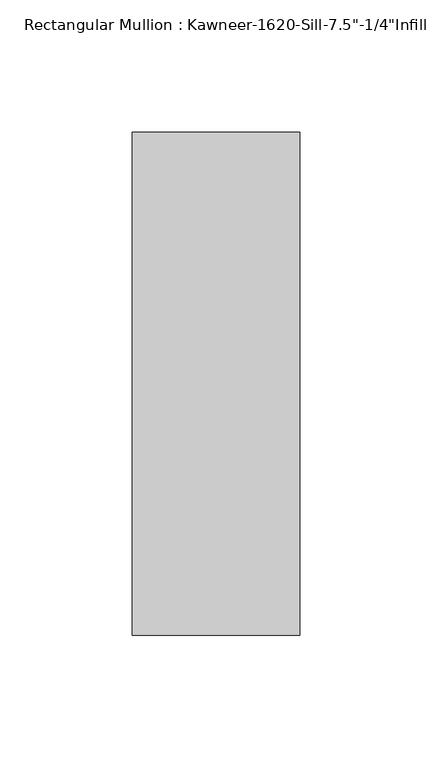
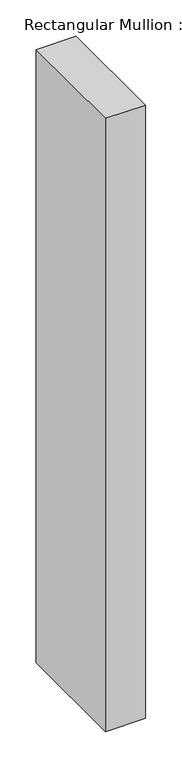
"""IFC4 building model written with IfcOpenShell, lengths in millimetres: member geometry."""

import ifcopenshell
import ifcopenshell.guid

model = None  # the IFC model being written
_history = None  # IfcOwnerHistory: only IFC2X3 demands one
_inside = {}  # id of a spatial element -> (the spatial element, [elements in it])
_under = {}  # id of a project, library or spatial element -> (it, [spatial elements below it])
_declared = {}  # id of a project -> (the project, [libraries it declares])
_typed = {}  # id of a type object -> (the type object, [elements of that type])
_made_of = {}  # id of a material, layer set ... -> (it, [elements and type objects made of it])


def new_model(schema):
    """Start an empty IFC model of exactly this schema.

    Asked for "IFC4X3", IfcOpenShell would pick the latest addendum, in which some entities
    have other attributes; the version numbers below select the first issue.
    IFC2X3 requires an IfcOwnerHistory on every rooted entity: one is made here for all.
    """
    global model, _history
    if schema == "IFC4X3":
        model = ifcopenshell.file(schema_version=(4, 3, 0, 0))
    else:
        model = ifcopenshell.file(schema=schema)
    _inside.clear()
    _under.clear()
    _declared.clear()
    _typed.clear()
    _made_of.clear()
    _history = None
    if model.schema == "IFC2X3":
        org = make("IfcOrganization", Name="unknown")
        user = make(
            "IfcPersonAndOrganization",
            ThePerson=make("IfcPerson", FamilyName="unknown"),
            TheOrganization=org,
        )
        app = make(
            "IfcApplication",
            ApplicationDeveloper=org,
            Version="unknown",
            ApplicationFullName="unknown",
            ApplicationIdentifier="unknown",
        )
        _history = make(
            "IfcOwnerHistory",
            OwningUser=user,
            OwningApplication=app,
            ChangeAction="ADDED",
            CreationDate=0,
        )
    return model


def make(cls, **values):
    """One entity of the class cls with the attributes given. An attribute that is None is left unset."""
    return model.create_entity(
        cls, **{name: value for name, value in values.items() if value is not None}
    )


def rooted(cls, **values):
    """An entity with a GlobalId (a new one), such as an element, a storey or a relation."""
    return make(cls, GlobalId=ifcopenshell.guid.new(), OwnerHistory=_history, **values)


def si_unit(unit_type, name, prefix=None):
    """IfcSIUnit, for example si_unit("LENGTHUNIT", "METRE", prefix="MILLI")."""
    return make("IfcSIUnit", UnitType=unit_type, Prefix=prefix, Name=name)


def assignment(units):
    """IfcUnitAssignment: the units of a project."""
    return None if units is None else make("IfcUnitAssignment", Units=units)


def point(xyz):
    """IfcCartesianPoint."""
    return None if xyz is None else make("IfcCartesianPoint", Coordinates=xyz)


def direction(xyz):
    """IfcDirection."""
    return None if xyz is None else make("IfcDirection", DirectionRatios=xyz)


def frame(location, z_axis=None, x_axis=None):
    """IfcAxis2Placement3D, a coordinate frame: its origin and axes. An axis left out is left unset."""
    return make(
        "IfcAxis2Placement3D",
        Location=point(location),
        Axis=direction(z_axis),
        RefDirection=direction(x_axis),
    )


def origin():
    """The frame at (0, 0, 0) with its axes left unset."""
    return frame((0.0, 0.0, 0.0))


def place(relative_to, where):
    """IfcLocalPlacement: puts the frame where relative to a parent placement (None: the world)."""
    return make(
        "IfcLocalPlacement", PlacementRelTo=relative_to, RelativePlacement=where
    )


def context(
    kind, dimensions, precision=None, world=None, true_north=None, identifier=None
):
    """IfcGeometricRepresentationContext, for example the 3D "Model" context."""
    return make(
        "IfcGeometricRepresentationContext",
        ContextIdentifier=identifier,
        ContextType=kind,
        CoordinateSpaceDimension=dimensions,
        Precision=precision,
        WorldCoordinateSystem=world,
        TrueNorth=true_north,
    )


def project(units=None, contexts=None):
    """IfcProject with its units and contexts."""
    return rooted(
        "IfcProject",
        Name="project",
        RepresentationContexts=contexts,
        UnitsInContext=assignment(units),
    )


def spatial(cls, under=None, at=None, **own):
    """A site, building, storey or space (cls), placed at a placement, below another one or the project."""
    s = rooted(cls, ObjectPlacement=at, **own)
    if under is not None:
        _under.setdefault(under.id(), (under, []))[1].append(s)
    return s


def polyline(points):
    """IfcPolyline through the points."""
    return make("IfcPolyline", Points=[point(p) for p in points])


def outline(outer, holes=None, kind="AREA"):
    """IfcArbitraryClosedProfileDef: a profile drawn as a closed curve; with holes, ...WithVoids."""
    if holes is None:
        return make("IfcArbitraryClosedProfileDef", ProfileType=kind, OuterCurve=outer)
    return make(
        "IfcArbitraryProfileDefWithVoids",
        ProfileType=kind,
        OuterCurve=outer,
        InnerCurves=holes,
    )


def extrude(swept, where, along, depth):
    """IfcExtrudedAreaSolid: the profile swept, set in the frame where, extruded along a direction by depth."""
    return make(
        "IfcExtrudedAreaSolid",
        SweptArea=swept,
        Position=where,
        ExtrudedDirection=direction(along),
        Depth=depth,
    )


def shape(context_of_items, identifier, shape_type, items):
    """IfcShapeRepresentation: the items that make up one representation, for example the "Body"."""
    return make(
        "IfcShapeRepresentation",
        ContextOfItems=context_of_items,
        RepresentationIdentifier=identifier,
        RepresentationType=shape_type,
        Items=items,
    )


def source(mapping_origin, context_of_items, identifier, shape_type, items):
    """IfcRepresentationMap: a shape defined once, which mapped items show again and again."""
    return make(
        "IfcRepresentationMap",
        MappingOrigin=mapping_origin,
        MappedRepresentation=shape(context_of_items, identifier, shape_type, items),
    )


def transform(
    local_origin,
    x_axis=None,
    y_axis=None,
    z_axis=None,
    scale=None,
    scale2=None,
    scale3=None,
    uniform=True,
):
    """IfcCartesianTransformationOperator3D, or its non-uniform kind. x_axis, y_axis, z_axis: its Axis1, 2, 3."""
    if uniform:
        return make(
            "IfcCartesianTransformationOperator3D",
            Axis1=direction(x_axis),
            Axis2=direction(y_axis),
            LocalOrigin=point(local_origin),
            Scale=scale,
            Axis3=direction(z_axis),
        )
    return make(
        "IfcCartesianTransformationOperator3DnonUniform",
        Axis1=direction(x_axis),
        Axis2=direction(y_axis),
        LocalOrigin=point(local_origin),
        Scale=scale,
        Axis3=direction(z_axis),
        Scale2=scale2,
        Scale3=scale3,
    )


def mapped(mapping_source, mapping_target):
    """IfcMappedItem: shows the shape of a source again, moved by a transform."""
    return make(
        "IfcMappedItem", MappingSource=mapping_source, MappingTarget=mapping_target
    )


def made_of(thing, what):
    """Note that an element or type object is made of a material, layer set ...; save() writes the relation."""
    if what is not None:
        _made_of.setdefault(what.id(), (what, []))[1].append(thing)
    return thing


def element(
    cls,
    number,
    at=None,
    inside=None,
    cuts=None,
    type_object=None,
    material=None,
    context=None,
    identifier="Body",
    shape_type=None,
    held_by="IfcProductDefinitionShape",
    body=None,
    shapes=None,
    **own,
):
    """One element of the class cls, such as IfcWall. Its Tag is "e" and its number.

    at: its placement. inside: the storey or other place that contains it. cuts: it is an
    opening in that element (IfcRelVoidsElement). A single representation is given by context,
    identifier, shape_type and body (its items); several are given by shapes. held_by: the class
    of the entity that holds the representations. save() writes the other relations.
    """
    e = rooted(cls, Tag="e%d" % number, ObjectPlacement=at, **own)
    if body is not None:
        shapes = [shape(context, identifier, shape_type, body)]
    if shapes is not None:
        e.Representation = make(held_by, Representations=shapes)
    if inside is not None:
        _inside.setdefault(inside.id(), (inside, []))[1].append(e)
    if cuts is not None:
        rooted(
            "IfcRelVoidsElement", RelatingBuildingElement=cuts, RelatedOpeningElement=e
        )
    if type_object is not None:
        _typed.setdefault(type_object.id(), (type_object, []))[1].append(e)
    return made_of(e, material)


def aggregate(whole, parts):
    """IfcRelAggregates: a whole, such as a stair, and the parts it consists of."""
    return rooted("IfcRelAggregates", RelatingObject=whole, RelatedObjects=parts)


def save(model, path):
    """Write the relations noted so far, then the file.

    IfcRelAggregates (storeys below a building ...), IfcRelContainedInSpatialStructure (elements
    in a storey), IfcRelDefinesByType, IfcRelAssociatesMaterial and IfcRelDeclares: one each for
    every whole, place, type object, material and project.
    """
    for whole, parts in _under.values():
        aggregate(whole, parts)
    for where, things in _inside.values():
        rooted(
            "IfcRelContainedInSpatialStructure",
            RelatedElements=things,
            RelatingStructure=where,
        )
    for kind, things in _typed.values():
        rooted("IfcRelDefinesByType", RelatedObjects=things, RelatingType=kind)
    for what, things in _made_of.values():
        rooted("IfcRelAssociatesMaterial", RelatedObjects=things, RelatingMaterial=what)
    for by, libraries in _declared.values():
        rooted("IfcRelDeclares", RelatingContext=by, RelatedDefinitions=libraries)
    model.write(path)


def member_78b1cd48(model_context):
    return source(origin(), model_context, "Body", "SweptSolid", [
        extrude(outline(polyline([(-63.5, 28.575), (0.0, 28.575), (0.0, -161.925), (-63.5, -161.925), (-63.5, 28.575)])), frame((0.0, 0.0, -1028.7), z_axis=(0.0, 0.0, 1.0), x_axis=(1.0, 0.0, 0.0)), (0.0, 0.0, 1.0), 1028.7),
    ])


if __name__ == "__main__":
    model = new_model("IFC4")
    model_context = context("Model", 3, world=origin())
    ifc_project = project(units=[si_unit("LENGTHUNIT", "METRE", prefix="MILLI")], contexts=[model_context])
    site = spatial("IfcSite", under=ifc_project)
    building = spatial("IfcBuilding", under=site)
    placement = place(None, origin())
    member_shape = member_78b1cd48(model_context)
    element("IfcMember", 1, ObjectType="Rectangular Mullion : Kawneer-1620-Sill-7.5\"-1/4\"Infill", at=placement, inside=building, context=model_context, shape_type="MappedRepresentation", body=[
        mapped(member_shape, transform((0.0, 0.0, 0.0), x_axis=(1.0, 0.0, 0.0), y_axis=(0.0, 1.0, 0.0), z_axis=(0.0, 0.0, 1.0))),
    ])
    save(model, "model.ifc")
